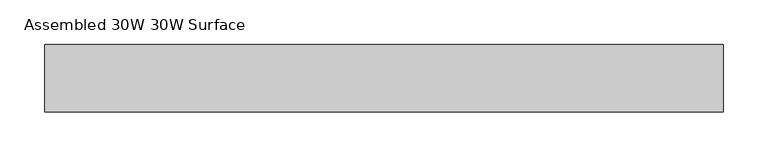
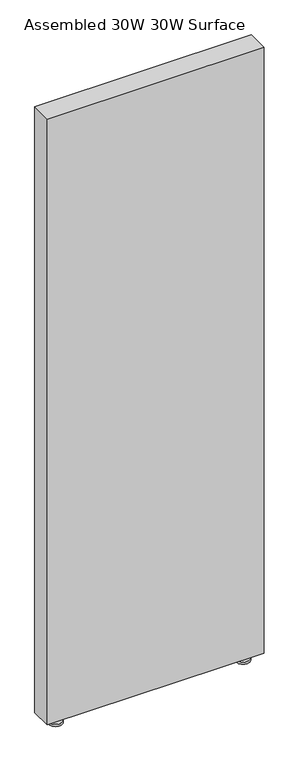
"""IFC4 building model written with IfcOpenShell, lengths in millimetres: furniture geometry, Assembled 30W 30W Surface."""

from ifc_helpers import new_model, si_unit, frame, origin, place, context, project, spatial, polyline, circle_curve, outline, extrude, source, transform, mapped, element, save
from ifc_brep_helpers import plane_surface, cylinder_surface, advanced_brep


def assembled_30w_30w_surface_9b129562(model_context):
    return source(origin(), model_context, "Body", "SolidModel", [
        advanced_brep(
        [(687.4500083, 50.7999992, 0.0), (734.9500159, 50.7999992, 0.0), (711.2000121, 50.7999992, 0.0), (687.4500083, 50.7999992, 8.0944096), (734.9500159, 50.7999992, 8.0944096), (706.4375121, 50.7999992, 8.0944096), (715.9625121, 50.7999992, 8.0944096), (706.4375121, 50.7999992, 30.1625008), (715.9625121, 50.7999992, 30.1625008), (711.2000121, 50.7999992, 30.1625008)],
        [
            (0, 1, circle_curve(frame((711.2000121, 50.7999992, 0.0), z_axis=(0.0, 0.0, -1.0), x_axis=(1.0, 0.0, 0.0)), 23.7500038)),
            (1, 2),
            (2, 0),
            (1, 0, circle_curve(frame((711.2000121, 50.7999992, 0.0), z_axis=(0.0, 0.0, -1.0), x_axis=(1.0, 0.0, 0.0)), 23.7500038)),
            (3, 4, circle_curve(frame((711.2000121, 50.7999992, 8.0944096), z_axis=(0.0, 0.0, -1.0), x_axis=(1.0, 0.0, 0.0)), 23.7500038)),
            (4, 1),
            (0, 3),
            (4, 3, circle_curve(frame((711.2000121, 50.7999992, 8.0944096), z_axis=(0.0, 0.0, -1.0), x_axis=(1.0, 0.0, 0.0)), 23.7500038)),
            (5, 6, circle_curve(frame((711.2000121, 50.7999992, 8.0944096), z_axis=(0.0, 0.0, -1.0), x_axis=(1.0, 0.0, 0.0)), 4.7625)),
            (6, 4),
            (3, 5),
            (6, 5, circle_curve(frame((711.2000121, 50.7999992, 8.0944096), z_axis=(0.0, 0.0, -1.0), x_axis=(1.0, 0.0, 0.0)), 4.7625)),
            (7, 8, circle_curve(frame((711.2000121, 50.7999992, 30.1625008), z_axis=(0.0, 0.0, -1.0), x_axis=(1.0, 0.0, 0.0)), 4.7625)),
            (8, 6),
            (5, 7),
            (8, 7, circle_curve(frame((711.2000121, 50.7999992, 30.1625008), z_axis=(0.0, 0.0, -1.0), x_axis=(1.0, 0.0, 0.0)), 4.7625)),
            (9, 8),
            (7, 9),
        ],
        [
            plane_surface(frame((711.2000121, 50.7999992, 0.0), z_axis=(0.0, 0.0, -1.0), x_axis=(1.0, 0.0, 0.0))),
            cylinder_surface(frame((711.2000121, 50.7999992, 30.1625008), z_axis=(0.0, 0.0, 1.0), x_axis=(1.0, 0.0, 0.0)), 23.7500038),
            plane_surface(frame((711.2000121, 50.7999992, 8.0944096), z_axis=(0.0, 0.0, 1.0), x_axis=(1.0, 0.0, 0.0))),
            cylinder_surface(frame((711.2000121, 50.7999992, 30.1625008), z_axis=(0.0, 0.0, 1.0), x_axis=(1.0, 0.0, 0.0)), 4.7625),
            plane_surface(frame((711.2000121, 50.7999992, 30.1625008), z_axis=(0.0, 0.0, 1.0), x_axis=(1.0, 0.0, 0.0))),
        ],
        [
            (0, [[1, 2, 3]]),
            (0, [[4, -3, -2]]),
            (1, [[5, 6, -1, 7]]),
            (1, [[8, -7, -4, -6]]),
            (2, [[9, 10, -5, 11]]),
            (2, [[12, -11, -8, -10]]),
            (3, [[13, 14, -9, 15]]),
            (3, [[16, -15, -12, -14]]),
            (4, [[17, -13, 18]]),
            (4, [[-18, -16, -17]]),
        ],
    ),
        advanced_brep(
        [(46.0375015, 50.7999992, 30.1625008), (55.5625015, 50.7999992, 30.1625008), (55.5625015, 50.7999992, 8.0944096), (46.0375015, 50.7999992, 8.0944096), (50.8000015, 50.7999992, 30.1625008), (26.9875015, 50.7999992, 0.0), (74.6125015, 50.7999992, 0.0), (50.8000015, 50.7999992, 0.0), (26.9875015, 50.7999992, 8.0944096), (74.6125015, 50.7999992, 8.0944096)],
        [
            (0, 1, circle_curve(frame((50.8000015, 50.7999992, 30.1625008), z_axis=(0.0, 0.0, -1.0), x_axis=(1.0, 0.0, 0.0)), 4.7625)),
            (1, 2),
            (2, 3, circle_curve(frame((50.8000015, 50.7999992, 8.0944096), z_axis=(0.0, 0.0, 1.0), x_axis=(1.0, 0.0, 0.0)), 4.7625)),
            (3, 0),
            (1, 0, circle_curve(frame((50.8000015, 50.7999992, 30.1625008), z_axis=(0.0, 0.0, -1.0), x_axis=(1.0, 0.0, 0.0)), 4.7625)),
            (3, 2, circle_curve(frame((50.8000015, 50.7999992, 8.0944096), z_axis=(0.0, 0.0, 1.0), x_axis=(1.0, 0.0, 0.0)), 4.7625)),
            (4, 1),
            (0, 4),
            (5, 6, circle_curve(frame((50.8000015, 50.7999992, 0.0), z_axis=(0.0, 0.0, -1.0), x_axis=(1.0, 0.0, 0.0)), 23.8125)),
            (6, 7),
            (7, 5),
            (6, 5, circle_curve(frame((50.8000015, 50.7999992, 0.0), z_axis=(0.0, 0.0, -1.0), x_axis=(1.0, 0.0, 0.0)), 23.8125)),
            (8, 9, circle_curve(frame((50.8000015, 50.7999992, 8.0944096), z_axis=(0.0, 0.0, -1.0), x_axis=(1.0, 0.0, 0.0)), 23.8125)),
            (9, 6),
            (5, 8),
            (9, 8, circle_curve(frame((50.8000015, 50.7999992, 8.0944096), z_axis=(0.0, 0.0, -1.0), x_axis=(1.0, 0.0, 0.0)), 23.8125)),
            (2, 9),
            (8, 3),
        ],
        [
            cylinder_surface(frame((50.8000015, 50.7999992, 30.1625008), z_axis=(0.0, 0.0, 1.0), x_axis=(1.0, 0.0, 0.0)), 4.7625),
            plane_surface(frame((50.8000015, 50.7999992, 30.1625008), z_axis=(0.0, 0.0, 1.0), x_axis=(1.0, 0.0, 0.0))),
            plane_surface(frame((50.8000015, 50.7999992, 0.0), z_axis=(0.0, 0.0, -1.0), x_axis=(1.0, 0.0, 0.0))),
            cylinder_surface(frame((50.8000015, 50.7999992, 30.1625008), z_axis=(0.0, 0.0, 1.0), x_axis=(1.0, 0.0, 0.0)), 23.8125),
            plane_surface(frame((50.8000015, 50.7999992, 8.0944096), z_axis=(0.0, 0.0, 1.0), x_axis=(1.0, 0.0, 0.0))),
        ],
        [
            (0, [[1, 2, 3, 4]]),
            (0, [[5, -4, 6, -2]]),
            (1, [[7, -1, 8]]),
            (1, [[-8, -5, -7]]),
            (2, [[9, 10, 11]]),
            (2, [[12, -11, -10]]),
            (3, [[13, 14, -9, 15]]),
            (3, [[16, -15, -12, -14]]),
            (4, [[-3, 17, -13, 18]]),
            (4, [[-6, -18, -16, -17]]),
        ],
    ),
        extrude(outline(polyline([(0.0, 12.7000004), (0.0, 88.899997), (762.0, 88.899997), (762.0, 12.7000004), (0.0, 12.7000004)])), frame((0.0, 0.0, 30.1625008), z_axis=(0.0, 0.0, 1.0), x_axis=(1.0, 0.0, 0.0)), (0.0, 0.0, 1.0), 2252.6625477),
    ])


if __name__ == "__main__":
    model = new_model("IFC4")
    model_context = context("Model", 3, world=origin())
    ifc_project = project(units=[si_unit("LENGTHUNIT", "METRE", prefix="MILLI")], contexts=[model_context])
    site = spatial("IfcSite", under=ifc_project)
    building = spatial("IfcBuilding", under=site)
    placement = place(None, origin())
    assembled_30w_30w_surface_shape = assembled_30w_30w_surface_9b129562(model_context)
    element("IfcFurniture", 1, ObjectType="Assembled 30W 30W Surface", at=placement, inside=building, context=model_context, shape_type="MappedRepresentation", body=[
        mapped(assembled_30w_30w_surface_shape, transform((0.0, 0.0, 0.0), x_axis=(1.0, 0.0, 0.0), y_axis=(0.0, 1.0, 0.0), z_axis=(0.0, 0.0, 1.0))),
    ])
    save(model, "model.ifc")
